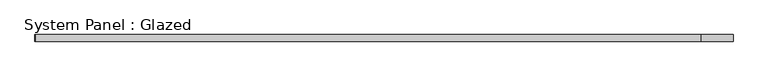
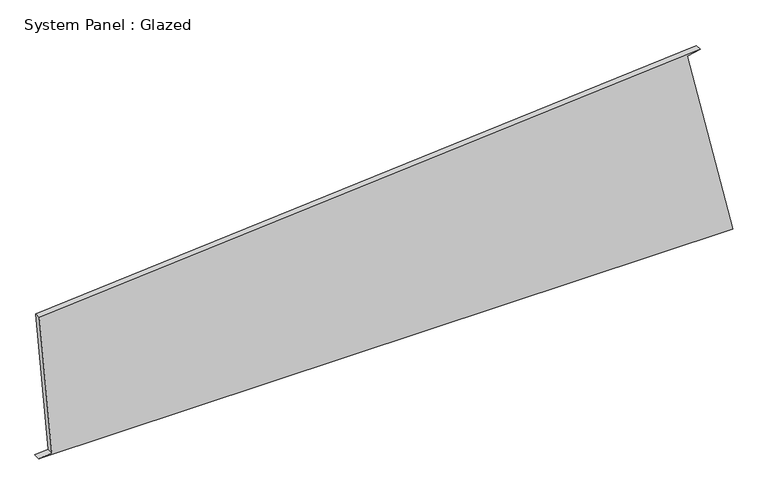
"""IFC4 building model written with IfcOpenShell, lengths in millimetres: plate geometry, System Panel : Glazed."""

from ifc_helpers import new_model, si_unit, frame, origin, place, context, project, spatial, polyline, outline, extrude, source, transform, mapped, element, save


def system_panel_glazed_6d05cce4(model_context):
    return source(origin(), model_context, "Body", "SweptSolid", [
        extrude(outline(polyline([(0.0, -1313.3089999), (0.0, 1313.3089999), (750.7568172, 1142.0833337), (761.8748604, 1190.8315554), (563.6121782, -1310.6432306), (4.2000203, -1263.4857139), (0.0, -1313.3089999)])), frame((0.0, -49.5, 0.0), z_axis=(0.0, 1.0, 0.0), x_axis=(0.0, 0.0, 1.0)), (0.0, 0.0, 1.0), 25.0),
    ])


if __name__ == "__main__":
    model = new_model("IFC4")
    model_context = context("Model", 3, world=origin())
    ifc_project = project(units=[si_unit("LENGTHUNIT", "METRE", prefix="MILLI")], contexts=[model_context])
    site = spatial("IfcSite", under=ifc_project)
    building = spatial("IfcBuilding", under=site)
    placement = place(None, origin())
    system_panel_glazed_shape = system_panel_glazed_6d05cce4(model_context)
    element("IfcPlate", 1, ObjectType="System Panel : Glazed", at=placement, inside=building, context=model_context, shape_type="MappedRepresentation", body=[
        mapped(system_panel_glazed_shape, transform((0.0, 0.0, 0.0), x_axis=(1.0, 0.0, 0.0), y_axis=(0.0, 1.0, 0.0), z_axis=(0.0, 0.0, 1.0))),
    ])
    save(model, "model.ifc")
